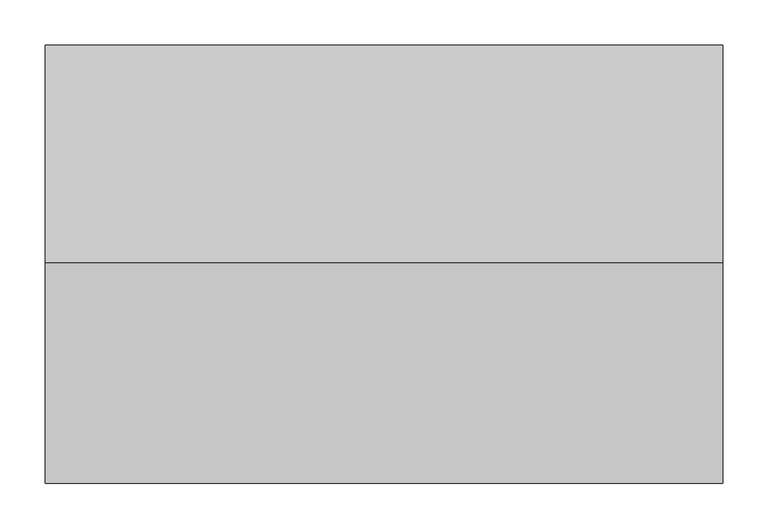
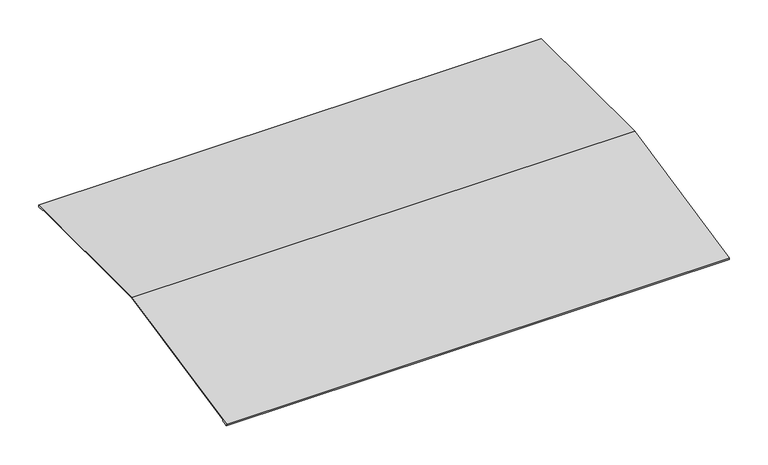
"""IFC4 building model written with IfcOpenShell, lengths in millimetres: proxy geometry."""

from ifc_helpers import new_model, si_unit, frame, origin, place, context, project, spatial, polyline, outline, extrude, source, transform, mapped, element, save


def generic_models_87b02456(model_context):
    return source(origin(), model_context, "Body", "SweptSolid", [
        extrude(outline(polyline([(240.5367739, 5.0), (240.5367739, 2.0), (230.5367739, 2.0), (230.5367739, 3.0), (239.5367739, 3.0), (239.5367739, 4.0), (-0.4204169, 4.0), (-243.8763621, -47.7481586), (-243.6684504, -48.7263062), (-234.865122, -46.855101), (-234.6572103, -47.8332486), (-244.4386863, -49.9123655), (-245.0624214, -46.9779227), (-0.5255212, 5.0), (240.5367739, 5.0)])), frame((0.0, 0.0, 0.0), z_axis=(1.0, 0.0, 0.0), x_axis=(0.0, 1.0, 0.0)), (0.0, 0.0, 1.0), 750.0),
    ])


if __name__ == "__main__":
    model = new_model("IFC4")
    model_context = context("Model", 3, world=origin())
    ifc_project = project(units=[si_unit("LENGTHUNIT", "METRE", prefix="MILLI")], contexts=[model_context])
    site = spatial("IfcSite", under=ifc_project)
    building = spatial("IfcBuilding", under=site)
    placement = place(None, origin())
    generic_models_shape = generic_models_87b02456(model_context)
    element("IfcBuildingElementProxy", 1, Name="Generic Models", at=placement, inside=building, context=model_context, shape_type="MappedRepresentation", body=[
        mapped(generic_models_shape, transform((0.0, 0.0, 0.0), x_axis=(1.0, 0.0, 0.0), y_axis=(0.0, 1.0, 0.0), z_axis=(0.0, 0.0, 1.0))),
    ])
    save(model, "model.ifc")
